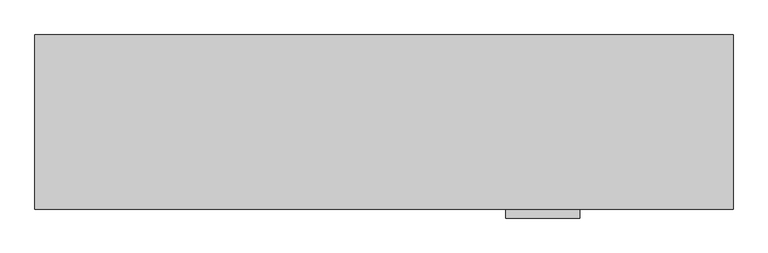
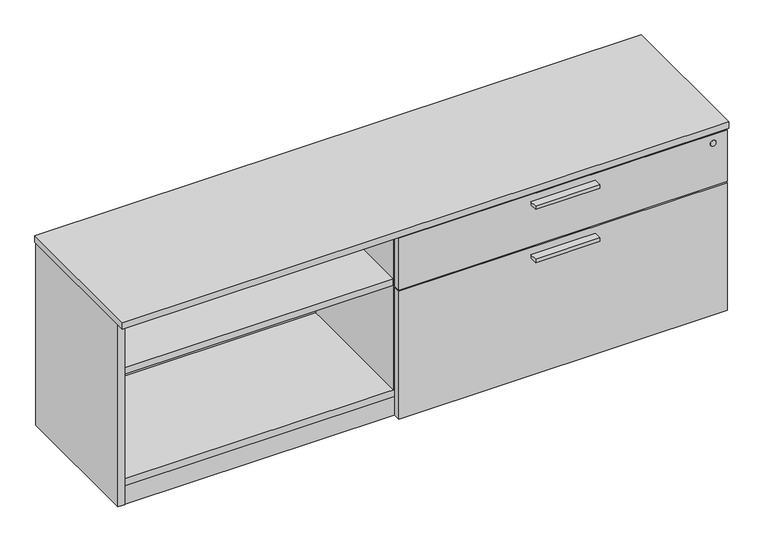
"""IFC4 building model written with IfcOpenShell, lengths in millimetres: furniture geometry."""

from ifc_helpers import new_model, si_unit, point, frame, frame_2d, origin, origin_with_axes, place, context, project, spatial, polyline, circle_curve, trimmed, segment, composite_curve, outline, extrude, source, transform, mapped, element, save


def furniture_7272b250(model_context):
    return source(origin(), model_context, "Body", "SweptSolid", [
        extrude(outline(polyline([(1308.1635, -447.8158592), (1130.3635, -447.8158592), (1130.3635, -425.5908592), (1308.1635, -425.5908592), (1308.1635, -447.8158592)])), frame((0.0, 0.0, 351.0330729), z_axis=(0.0, 0.0, 1.0), x_axis=(1.0, 0.0, 0.0)), (0.0, 0.0, 1.0), 9.525),
        extrude(outline(polyline([(1308.1635, -447.8158592), (1130.3635, -447.8158592), (1130.3635, -425.5908592), (1308.1635, -425.5908592), (1308.1635, -447.8158592)])), frame((0.0, 0.0, 506.1508939), z_axis=(0.0, 0.0, 1.0), x_axis=(1.0, 0.0, 0.0)), (0.0, 0.0, 1.0), 9.525),
        extrude(outline(composite_curve([segment(trimmed(circle_curve(frame_2d((838.2, -217.6283713)), 4.445), [point((842.645, -217.6283713))], [point((833.755, -217.6283713))], False, "CARTESIAN"), True, "CONTINUOUS"), segment(trimmed(circle_curve(frame_2d((838.2, -217.6283713)), 4.445), [point((833.755, -217.6283713))], [point((842.645, -217.6283713))], False, "CARTESIAN"), True, "CONTINUOUS")], self_intersect=False)), frame((0.0, 0.0, 7.112), z_axis=(0.0, 0.0, 1.0), x_axis=(1.0, 0.0, 0.0)), (0.0, 0.0, 1.0), 2.032),
        extrude(outline(polyline([(843.8872187, -207.7297009), (849.6022187, -217.6283713), (843.8872187, -227.5270417), (832.4572187, -227.5270417), (826.7422187, -217.6283713), (832.4572187, -207.7297009), (843.8872187, -207.7297009)])), origin_with_axes(), (0.0, 0.0, 1.0), 9.144),
        extrude(outline(composite_curve([segment(trimmed(circle_curve(frame_2d((799.973, -246.2033713)), 3.175), [point((799.973, -249.3783713))], [point((796.798, -246.2033713))], False, "CARTESIAN"), True, "CONTINUOUS"), segment(polyline([(796.798, -246.2033713), (796.798, -189.0533713)]), True, "CONTINUOUS"), segment(trimmed(circle_curve(frame_2d((799.973, -189.0533713)), 3.175), [point((796.798, -189.0533713))], [point((799.973, -185.8783713))], False, "CARTESIAN"), True, "CONTINUOUS"), segment(polyline([(799.973, -185.8783713), (876.427, -185.8783713)]), True, "CONTINUOUS"), segment(trimmed(circle_curve(frame_2d((876.427, -189.0533713)), 3.175), [point((876.427, -185.8783713))], [point((879.602, -189.0533713))], False, "CARTESIAN"), True, "CONTINUOUS"), segment(polyline([(879.602, -189.0533713), (879.602, -246.2033713)]), True, "CONTINUOUS"), segment(trimmed(circle_curve(frame_2d((876.427, -246.2033713)), 3.175), [point((879.602, -246.2033713))], [point((876.427, -249.3783713))], False, "CARTESIAN"), True, "CONTINUOUS"), segment(polyline([(876.427, -249.3783713), (799.973, -249.3783713)]), True, "CONTINUOUS")], self_intersect=False)), frame((0.0, 0.0, 58.3692), z_axis=(0.0, 0.0, 1.0), x_axis=(1.0, 0.0, 0.0)), (0.0, 0.0, 1.0), 1.89738),
        extrude(outline(composite_curve([segment(polyline([(849.63, -230.3283713), (826.77, -230.3283713)]), True, "CONTINUOUS"), segment(trimmed(circle_curve(frame_2d((826.77, -229.0583713)), 1.27), [point((826.77, -230.3283713))], [point((825.5, -229.0583713))], False, "CARTESIAN"), True, "CONTINUOUS"), segment(polyline([(825.5, -229.0583713), (825.5, -206.1983713)]), True, "CONTINUOUS"), segment(trimmed(circle_curve(frame_2d((826.77, -206.1983713)), 1.27), [point((825.5, -206.1983713))], [point((826.77, -204.9283713))], False, "CARTESIAN"), True, "CONTINUOUS"), segment(polyline([(826.77, -204.9283713), (849.63, -204.9283713)]), True, "CONTINUOUS"), segment(trimmed(circle_curve(frame_2d((849.63, -206.1983713)), 1.27), [point((849.63, -204.9283713))], [point((850.9, -206.1983713))], False, "CARTESIAN"), True, "CONTINUOUS"), segment(polyline([(850.9, -206.1983713), (850.9, -229.0583713)]), True, "CONTINUOUS"), segment(trimmed(circle_curve(frame_2d((849.63, -229.0583713)), 1.27), [point((850.9, -229.0583713))], [point((849.63, -230.3283713))], False, "CARTESIAN"), True, "CONTINUOUS")], self_intersect=False)), frame((0.0, 0.0, 9.144), z_axis=(0.0, 0.0, 1.0), x_axis=(1.0, 0.0, 0.0)), (0.0, 0.0, 1.0), 49.2252),
        extrude(outline(polyline([(1614.0692022, -345.6355984), (1630.01706, -336.4280984), (1645.9649178, -345.6355984), (1645.9649178, -364.0505984), (1630.01706, -373.2580984), (1614.0692022, -364.0505984), (1614.0692022, -345.6355984)])), origin_with_axes(), (0.0, 0.0, 1.0), 9.144),
        extrude(outline(polyline([(1614.0692022, -47.1181713), (1630.01706, -37.9106713), (1645.9649178, -47.1181713), (1645.9649178, -65.5331713), (1630.01706, -74.7406713), (1614.0692022, -65.5331713), (1614.0692022, -47.1181713)])), origin_with_axes(), (0.0, 0.0, 1.0), 9.144),
        extrude(outline(polyline([(30.4350822, -345.6355984), (46.38294, -336.4280984), (62.3307978, -345.6355984), (62.3307978, -364.0505984), (46.38294, -373.2580984), (30.4350822, -364.0505984), (30.4350822, -345.6355984)])), origin_with_axes(), (0.0, 0.0, 1.0), 9.144),
        extrude(outline(polyline([(30.4350822, -47.1181713), (46.38294, -37.9106713), (62.3307978, -47.1181713), (62.3307978, -65.5331713), (46.38294, -74.7406713), (30.4350822, -65.5331713), (30.4350822, -47.1181713)])), origin_with_axes(), (0.0, 0.0, 1.0), 9.144),
        extrude(outline(polyline([(1655.5085154, -401.5878548), (20.8915005, -401.5878548), (20.8915005, -382.2838548), (1655.5085154, -382.2838548), (1655.5085154, -401.5878548)])), frame((0.0, 0.0, 4.699), z_axis=(0.0, 0.0, 1.0), x_axis=(1.0, 0.0, 0.0)), (0.0, 0.0, 1.0), 55.56758),
        extrude(outline(polyline([(1655.5085154, -30.4938704), (1655.5085154, -402.7308447), (20.8915005, -402.7308447), (20.8915005, -30.4938704), (1655.5085154, -30.4938704)])), frame((0.0, 0.0, 520.1843787), z_axis=(0.0, 0.0, 1.0), x_axis=(1.0, 0.0, 0.0)), (0.0, 0.0, 1.0), 19.304),
        extrude(outline(polyline([(783.0185, -30.4938704), (783.0185, -401.5878548), (763.7145, -401.5878548), (763.7145, -30.4938704), (783.0185, -30.4938704)])), frame((0.0, 0.0, 79.57058), z_axis=(0.0, 0.0, 1.0), x_axis=(1.0, 0.0, 0.0)), (0.0, 0.0, 1.0), 440.6137987),
        extrude(outline(polyline([(765.302, -406.2868776), (1673.225, -406.2868776), (1673.225, -425.5908592), (765.302, -425.5908592), (765.302, -406.2868776)])), frame((0.0, 0.0, 384.3705787), z_axis=(0.0, 0.0, 1.0), x_axis=(1.0, 0.0, 0.0)), (0.0, 0.0, 1.0), 151.9428152),
        extrude(outline(polyline([(765.302, -406.2868776), (1673.225, -406.2868776), (1673.225, -425.5908592), (765.302, -425.5908592), (765.302, -406.2868776)])), frame((0.0, 0.0, 7.874), z_axis=(0.0, 0.0, 1.0), x_axis=(1.0, 0.0, 0.0)), (0.0, 0.0, 1.0), 373.3215729),
        extrude(outline(polyline([(763.7145, -30.4938704), (763.7145, -400.8258374), (20.8915, -400.8258374), (20.8915, -30.4938704), (763.7145, -30.4938704)])), frame((0.0, 0.0, 384.3705787), z_axis=(0.0, 0.0, 1.0), x_axis=(1.0, 0.0, 0.0)), (0.0, 0.0, 1.0), 19.304),
        extrude(outline(polyline([(1676.4, -8.0783713), (1676.4, -427.1783713), (0.0, -427.1783713), (0.0, -8.0783713), (1676.4, -8.0783713)])), frame((0.0, 0.0, 539.4883818), z_axis=(0.0, 0.0, 1.0), x_axis=(1.0, 0.0, 0.0)), (0.0, 0.0, 1.0), 19.0499969),
        extrude(outline(polyline([(1655.5085154, -30.4938704), (1655.5085154, -402.7308447), (20.8915005, -402.7308447), (20.8915005, -30.4938704), (1655.5085154, -30.4938704)])), frame((0.0, 0.0, 60.26658), z_axis=(0.0, 0.0, 1.0), x_axis=(1.0, 0.0, 0.0)), (0.0, 0.0, 1.0), 19.304),
        extrude(outline(polyline([(1655.5085154, -11.1898712), (1655.5085154, -30.4938704), (20.8915005, -30.4938704), (20.8915005, -11.1898712), (1655.5085154, -11.1898712)])), frame((0.0, 0.0, 4.699), z_axis=(0.0, 0.0, 1.0), x_axis=(1.0, 0.0, 0.0)), (0.0, 0.0, 1.0), 534.7893787),
        extrude(outline(polyline([(20.8915005, -9.6658713), (20.8915005, -403.1118534), (1.5875, -403.1118534), (1.5875, -9.6658713), (20.8915005, -9.6658713)])), frame((0.0, 0.0, 4.699), z_axis=(0.0, 0.0, 1.0), x_axis=(1.0, 0.0, 0.0)), (0.0, 0.0, 1.0), 534.7893787),
        extrude(outline(polyline([(1655.5085154, -9.6658713), (1674.8125158, -9.6658713), (1674.8125158, -403.1118534), (1655.5085154, -403.1118534), (1655.5085154, -9.6658713)])), frame((0.0, 0.0, 4.699), z_axis=(0.0, 0.0, 1.0), x_axis=(1.0, 0.0, 0.0)), (0.0, 0.0, 1.0), 534.7893787),
        extrude(outline(composite_curve([segment(trimmed(circle_curve(frame_2d((510.9133939, 1633.22)), 8.001), [point((510.9133939, 1641.221))], [point((510.9133939, 1625.219))], False, "CARTESIAN"), True, "CONTINUOUS"), segment(trimmed(circle_curve(frame_2d((510.9133939, 1633.22)), 8.001), [point((510.9133939, 1625.219))], [point((510.9133939, 1641.221))], False, "CARTESIAN"), True, "CONTINUOUS")], self_intersect=False)), frame((0.0, -427.1783713, 0.0), z_axis=(0.0, 1.0, 0.0), x_axis=(0.0, 0.0, 1.0)), (0.0, 0.0, 1.0), 1.5875121),
    ])


if __name__ == "__main__":
    model = new_model("IFC4")
    model_context = context("Model", 3, world=origin())
    ifc_project = project(units=[si_unit("LENGTHUNIT", "METRE", prefix="MILLI")], contexts=[model_context])
    site = spatial("IfcSite", under=ifc_project)
    building = spatial("IfcBuilding", under=site)
    placement = place(None, origin())
    furniture_shape = furniture_7272b250(model_context)
    element("IfcFurniture", 1, at=placement, inside=building, context=model_context, shape_type="MappedRepresentation", body=[
        mapped(furniture_shape, transform((0.0, 0.0, 0.0), x_axis=(1.0, 0.0, 0.0), y_axis=(0.0, 1.0, 0.0), z_axis=(0.0, 0.0, 1.0))),
    ])
    save(model, "model.ifc")
